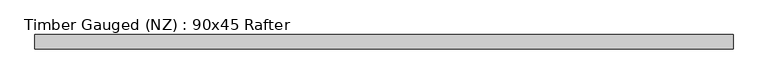
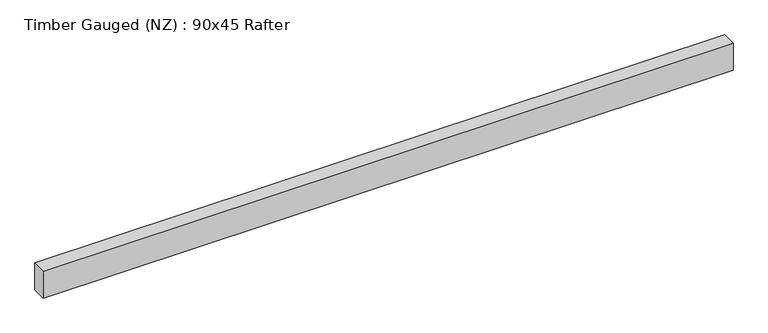
"""IFC4 building model written with IfcOpenShell, lengths in millimetres: beam geometry, Timber Gauged (NZ) : 90x45 Rafter."""

from ifc_helpers import new_model, si_unit, frame, origin, place, context, project, spatial, polyline, outline, extrude, source, transform, mapped, element, save


def timber_gauged_nz_90x45_rafter_363a1c01(model_context):
    return source(origin(), model_context, "Body", "SweptSolid", [
        extrude(outline(polyline([(1090.0, 22.5), (1090.0, -22.5), (-1090.0, -22.5), (-1090.0, 22.5), (1090.0, 22.5)])), frame((0.0, 0.0, -45.0), z_axis=(0.0, 0.0, 1.0), x_axis=(1.0, 0.0, 0.0)), (0.0, 0.0, 1.0), 90.0),
    ])


if __name__ == "__main__":
    model = new_model("IFC4")
    model_context = context("Model", 3, world=origin())
    ifc_project = project(units=[si_unit("LENGTHUNIT", "METRE", prefix="MILLI")], contexts=[model_context])
    site = spatial("IfcSite", under=ifc_project)
    building = spatial("IfcBuilding", under=site)
    placement = place(None, origin())
    timber_gauged_nz_90x45_rafter_shape = timber_gauged_nz_90x45_rafter_363a1c01(model_context)
    element("IfcBeam", 1, ObjectType="Timber Gauged (NZ) : 90x45 Rafter", at=placement, inside=building, context=model_context, shape_type="MappedRepresentation", body=[
        mapped(timber_gauged_nz_90x45_rafter_shape, transform((0.0, 0.0, 0.0), x_axis=(1.0, 0.0, 0.0), y_axis=(0.0, 1.0, 0.0), z_axis=(0.0, 0.0, 1.0))),
    ])
    save(model, "model.ifc")
